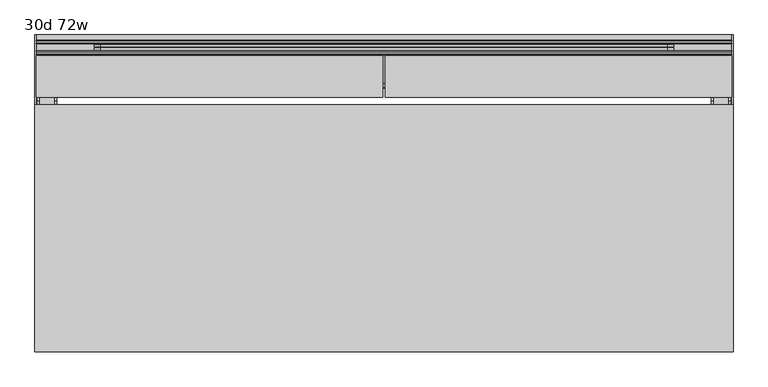
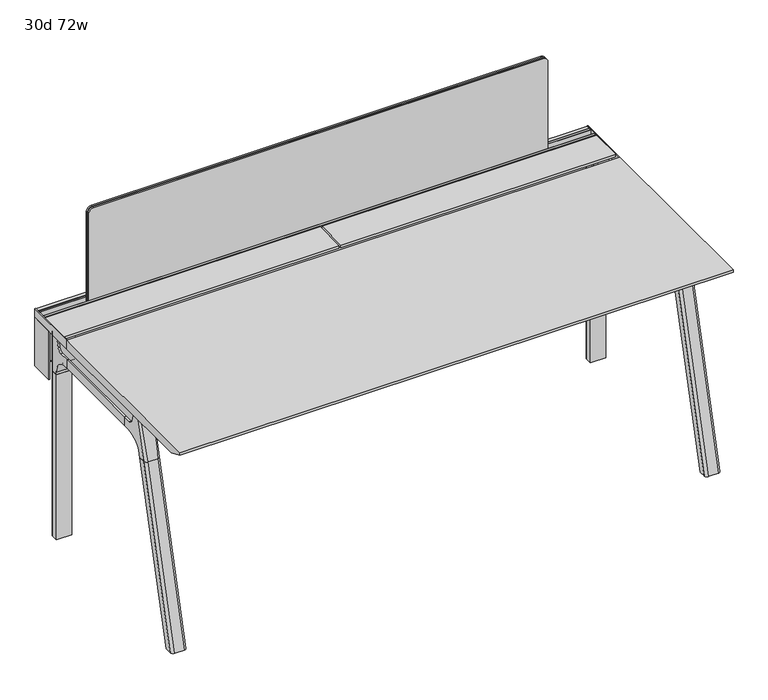
"""IFC4 building model written with IfcOpenShell, lengths in millimetres: furniture geometry, 30d 72w."""

from ifc_helpers import new_model, si_unit, point, frame, frame_2d, origin, place, context, project, spatial, polyline, circle_curve, ellipse_curve, trimmed, segment, composite_curve, outline, extrude, source, transform, mapped, element, save
from ifc_brep_helpers import plane_surface, cylinder_surface, revolved_surface, advanced_brep


def furniture_30d_72w_7f521068(model_context):
    return source(origin(), model_context, "Body", "SolidModel", [
        extrude(outline(composite_curve([segment(polyline([(-171.6458172, 542.478661), (-293.447806, 542.478661)]), True, "CONTINUOUS"), segment(trimmed(circle_curve(frame_2d((-293.447806, 555.972411)), 13.49375), [point((-293.447806, 542.478661))], [point((-306.941556, 555.972411))], False, "CARTESIAN"), True, "CONTINUOUS"), segment(polyline([(-306.941556, 555.972411), (-306.941556, 579.126206), (-306.147806, 579.126206), (-306.147806, 555.972411)]), True, "CONTINUOUS"), segment(trimmed(circle_curve(frame_2d((-293.447806, 555.972411)), 12.7), [point((-306.147806, 555.972411))], [point((-293.447806, 543.272411))], True, "CARTESIAN"), True, "CONTINUOUS"), segment(polyline([(-293.447806, 543.272411), (-171.6458172, 543.272411), (-171.6458172, 542.478661)]), True, "CONTINUOUS")], self_intersect=False)), frame((-542.925, 0.0, 0.0), z_axis=(1.0, 0.0, 0.0), x_axis=(0.0, 1.0, 0.0)), (0.0, 0.0, 1.0), 1517.65),
        extrude(outline(polyline([(-167.2415802, 542.478661), (-171.6458172, 542.478661), (-171.6458172, 543.272411), (-168.0353302, 543.272411), (-168.0353302, 738.7080593), (-179.9097266, 738.7080593), (-179.9097266, 729.9768093), (-180.7034766, 729.9768093), (-180.7034766, 739.5018093), (-167.2415802, 739.5018093), (-167.2415802, 542.478661)])), frame((-695.325, 0.0, 0.0), z_axis=(1.0, 0.0, 0.0), x_axis=(0.0, 1.0, 0.0)), (0.0, 0.0, 1.0), 1822.45),
        extrude(outline(composite_curve([segment(polyline([(1054.89375, 955.675), (1054.89375, -523.875)]), True, "CONTINUOUS"), segment(trimmed(circle_curve(frame_2d((1039.01875, -523.875)), 15.875), [point((1054.89375, -523.875))], [point((1039.01875, -539.75))], False, "CARTESIAN"), True, "CONTINUOUS"), segment(polyline([(1039.01875, -539.75), (720.725, -539.75), (720.725, 971.55), (1039.01875, 971.55)]), True, "CONTINUOUS"), segment(trimmed(circle_curve(frame_2d((1039.01875, 955.675)), 15.875), [point((1039.01875, 971.55))], [point((1054.89375, 955.675))], False, "CARTESIAN"), True, "CONTINUOUS")], self_intersect=False)), frame((0.0, -201.3409766, 0.0), z_axis=(0.0, 1.0, 0.0), x_axis=(0.0, 0.0, 1.0)), (0.0, 0.0, 1.0), 3.175),
        extrude(outline(composite_curve([segment(polyline([(1058.06875, 958.85), (1058.06875, -527.05)]), True, "CONTINUOUS"), segment(trimmed(circle_curve(frame_2d((1042.19375, -527.05)), 15.875), [point((1058.06875, -527.05))], [point((1042.19375, -542.925))], False, "CARTESIAN"), True, "CONTINUOUS"), segment(polyline([(1042.19375, -542.925), (717.55, -542.925), (717.55, 974.725), (1042.19375, 974.725)]), True, "CONTINUOUS"), segment(trimmed(circle_curve(frame_2d((1042.19375, 958.85)), 15.875), [point((1042.19375, 974.725))], [point((1058.06875, 958.85))], False, "CARTESIAN"), True, "CONTINUOUS")], self_intersect=False)), frame((0.0, -198.1659766, 0.0), z_axis=(0.0, 1.0, 0.0), x_axis=(0.0, 0.0, 1.0)), (0.0, 0.0, 1.0), 5.55625),
        extrude(outline(composite_curve([segment(polyline([(1058.06875, 958.85), (1058.06875, -527.05)]), True, "CONTINUOUS"), segment(trimmed(circle_curve(frame_2d((1042.19375, -527.05)), 15.875), [point((1058.06875, -527.05))], [point((1042.19375, -542.925))], False, "CARTESIAN"), True, "CONTINUOUS"), segment(polyline([(1042.19375, -542.925), (717.55, -542.925), (717.55, 974.725), (1042.19375, 974.725)]), True, "CONTINUOUS"), segment(trimmed(circle_curve(frame_2d((1042.19375, 958.85)), 15.875), [point((1042.19375, 974.725))], [point((1058.06875, 958.85))], False, "CARTESIAN"), True, "CONTINUOUS")], self_intersect=False)), frame((0.0, -206.8972266, 0.0), z_axis=(0.0, 1.0, 0.0), x_axis=(0.0, 0.0, 1.0)), (0.0, 0.0, 1.0), 5.55625),
        extrude(outline(polyline([(-218.8034766, 715.9625), (-218.8034766, 741.3625), (-217.2159766, 741.3625), (-217.2159766, 720.725), (-210.8659766, 720.725), (-210.8659766, 741.3625), (-209.2784766, 741.3625), (-209.2784766, 717.55), (-190.2284766, 717.55), (-190.2284766, 741.3625), (-188.6409766, 741.3625), (-188.6409766, 720.725), (-182.2909766, 720.725), (-182.2909766, 741.3625), (-180.7034766, 741.3625), (-180.7034766, 715.9625), (-218.8034766, 715.9625)])), frame((-695.325, 0.0, 0.0), z_axis=(1.0, 0.0, 0.0), x_axis=(0.0, 1.0, 0.0)), (0.0, 0.0, 1.0), 1822.45),
        extrude(outline(composite_curve([segment(polyline([(-280.7159766, 711.2), (-289.7740774, 677.3947076)]), True, "CONTINUOUS"), segment(trimmed(circle_curve(frame_2d((-305.1081499, 681.5034599)), 15.875), [point((-289.7740774, 677.3947076))], [point((-305.1081499, 665.6284599))], False, "CARTESIAN"), True, "CONTINUOUS"), segment(polyline([(-305.1081499, 665.6284599), (-703.2050533, 665.6284599)]), True, "CONTINUOUS"), segment(trimmed(circle_curve(frame_2d((-703.2050533, 681.5034599)), 15.875), [point((-703.2050533, 665.6284599))], [point((-718.5391258, 677.3947076))], False, "CARTESIAN"), True, "CONTINUOUS"), segment(polyline([(-718.5391258, 677.3947076), (-727.5972266, 711.2), (-280.7159766, 711.2)]), True, "CONTINUOUS")], self_intersect=False)), frame((1079.5, 0.0, 0.0), z_axis=(1.0, 0.0, 0.0), x_axis=(0.0, 1.0, 0.0)), (0.0, 0.0, 1.0), 38.1),
        extrude(outline(polyline([(1123.95, -341.0409766), (1123.95, -667.2722266), (1073.15, -667.2722266), (1073.15, -341.0409766), (1123.95, -341.0409766)])), frame((0.0, 0.0, 635.6476591), z_axis=(0.0, 0.0, 1.0), x_axis=(1.0, 0.0, 0.0)), (0.0, 0.0, 1.0), 29.9808008),
        extrude(outline(composite_curve([segment(polyline([(-280.7159766, 711.2), (-289.7740774, 677.3947076)]), True, "CONTINUOUS"), segment(trimmed(circle_curve(frame_2d((-305.1081499, 681.5034599)), 15.875), [point((-289.7740774, 677.3947076))], [point((-305.1081499, 665.6284599))], False, "CARTESIAN"), True, "CONTINUOUS"), segment(polyline([(-305.1081499, 665.6284599), (-703.2050533, 665.6284599)]), True, "CONTINUOUS"), segment(trimmed(circle_curve(frame_2d((-703.2050533, 681.5034599)), 15.875), [point((-703.2050533, 665.6284599))], [point((-718.5391258, 677.3947076))], False, "CARTESIAN"), True, "CONTINUOUS"), segment(polyline([(-718.5391258, 677.3947076), (-727.5972266, 711.2), (-280.7159766, 711.2)]), True, "CONTINUOUS")], self_intersect=False)), frame((-685.8, 0.0, 0.0), z_axis=(1.0, 0.0, 0.0), x_axis=(0.0, 1.0, 0.0)), (0.0, 0.0, 1.0), 38.1),
        extrude(outline(polyline([(-641.35, -341.0409766), (-641.35, -667.2722266), (-692.15, -667.2722266), (-692.15, -341.0409766), (-641.35, -341.0409766)])), frame((0.0, 0.0, 635.6476591), z_axis=(0.0, 0.0, 1.0), x_axis=(1.0, 0.0, 0.0)), (0.0, 0.0, 1.0), 29.9808008),
        advanced_brep(
        [(1123.95, -280.6696478, 711.2), (1123.95, -289.7277486, 677.3947076), (1123.95, -305.0618211, 665.6284599), (1123.95, -341.0409766, 665.6284599), (1123.95, -341.0409766, 635.6476591), (1123.95, -329.9284766, 635.6476591), (1123.95, -279.1284766, 584.8476591), (1123.95, -279.1284766, 576.659375), (1123.95, -256.9034766, 576.659375), (1123.95, -256.9034766, 711.2), (1073.15, -279.1284766, 576.659375), (1073.15, -279.1284766, 584.8476591), (1073.15, -329.9284766, 635.6476591), (1073.15, -341.0409766, 635.6476591), (1073.15, -341.0409766, 665.6284599), (1073.15, -305.0618211, 665.6284599), (1073.15, -289.7277486, 677.3947076), (1073.15, -280.6696478, 711.2), (1073.15, -256.9034766, 711.2), (1073.15, -256.9034766, 576.659375), (1114.425, -247.3784766, 711.2), (1082.675, -247.3784766, 711.2), (1082.675, -247.3784766, 576.659375), (1114.425, -247.3784766, 576.659375)],
        [
            (0, 1),
            (1, 2, circle_curve(frame((1123.95, -305.0618211, 681.5034599), z_axis=(-1.0, 0.0, 0.0), x_axis=(0.0, 1.0, 0.0)), 15.875)),
            (2, 3),
            (3, 4),
            (4, 5),
            (5, 6, circle_curve(frame((1123.95, -329.9284766, 584.8476591), z_axis=(-1.0, 0.0, 0.0), x_axis=(0.0, 1.0, 0.0)), 50.8)),
            (6, 7),
            (7, 8),
            (8, 9),
            (9, 0),
            (10, 11),
            (11, 12, circle_curve(frame((1073.15, -329.9284766, 584.8476591), z_axis=(1.0, 0.0, 0.0), x_axis=(0.0, 1.0, 0.0)), 50.8)),
            (12, 13),
            (13, 14),
            (14, 15),
            (15, 16, circle_curve(frame((1073.15, -305.0618211, 681.5034599), z_axis=(1.0, 0.0, 0.0), x_axis=(0.0, 1.0, 0.0)), 15.875)),
            (16, 17),
            (17, 18),
            (18, 19),
            (19, 10),
            (17, 0),
            (9, 20, circle_curve(frame((1114.425, -256.9034766, 711.2), z_axis=(0.0, 0.0, 1.0), x_axis=(-1.0, 0.0, 0.0)), 9.525)),
            (20, 21),
            (21, 18, circle_curve(frame((1082.675, -256.9034766, 711.2), z_axis=(0.0, 0.0, 1.0), x_axis=(-1.0, 0.0, 0.0)), 9.525)),
            (16, 1),
            (15, 2),
            (14, 3),
            (13, 4),
            (12, 5),
            (7, 10),
            (19, 22, circle_curve(frame((1082.675, -256.9034766, 576.659375), z_axis=(0.0, 0.0, -1.0), x_axis=(-1.0, 0.0, 0.0)), 9.525)),
            (22, 23),
            (23, 8, circle_curve(frame((1114.425, -256.9034766, 576.659375), z_axis=(0.0, 0.0, -1.0), x_axis=(-1.0, 0.0, 0.0)), 9.525)),
            (11, 6),
            (23, 20),
            (21, 22),
        ],
        [
            plane_surface(frame((1123.95, -240.451947, 711.2), z_axis=(1.0, 0.0, 0.0), x_axis=(0.0, -1.0, 0.0))),
            plane_surface(frame((1073.15, -240.451947, 711.2), z_axis=(-1.0, 0.0, 0.0), x_axis=(0.0, 1.0, 0.0))),
            plane_surface(frame((1123.95, -240.451947, 711.2), z_axis=(0.0, 0.0, 1.0), x_axis=(-1.0, 0.0, 0.0))),
            plane_surface(frame((1123.95, -280.6696478, 711.2), z_axis=(0.0, -0.9659258262890683, 0.2588190451025207), x_axis=(-1.0, 0.0, 0.0))),
            revolved_surface(polyline([(1073.15, -289.1868211, 681.5034599), (1123.95, -289.1868211, 681.5034599)]), (1073.15, -305.0618211, 681.5034599), (-1.0, 0.0, 0.0)),
            plane_surface(frame((1123.95, -305.0618211, 665.6284599), z_axis=(0.0, 0.0, 1.0), x_axis=(-1.0, 0.0, 0.0))),
            plane_surface(frame((1123.95, -341.0409766, 665.6284599), z_axis=(0.0, -1.0, 0.0), x_axis=(-1.0, 0.0, 0.0))),
            plane_surface(frame((1123.95, -341.0409766, 635.6476591), z_axis=(0.0, 0.0, -1.0), x_axis=(-1.0, 0.0, 0.0))),
            plane_surface(frame((1123.95, -279.1284766, 576.659375), z_axis=(0.0, 0.0, -1.0), x_axis=(-1.0, 0.0, 0.0))),
            revolved_surface(polyline([(1073.15, -279.1284766, 584.8476591), (1123.95, -279.1284766, 584.8476591)]), (1073.15, -329.9284766, 584.8476591), (-1.0, 0.0, 0.0)),
            plane_surface(frame((1123.95, -279.1284766, 584.8476591), z_axis=(0.0, -1.0, 0.0), x_axis=(-1.0, 0.0, 0.0))),
            cylinder_surface(frame((1114.425, -256.9034766, 524.9807374), z_axis=(0.0, 0.0, -1.0), x_axis=(-1.0, 0.0, 0.0)), 9.525),
            cylinder_surface(frame((1082.675, -256.9034766, 524.9807374), z_axis=(0.0, 0.0, -1.0), x_axis=(-1.0, 0.0, 0.0)), 9.525),
            plane_surface(frame((1082.675, -247.3784766, 711.2), z_axis=(0.0, 1.0, 0.0), x_axis=(0.0, 0.0, -1.0))),
        ],
        [
            (0, [[1, 2, 3, 4, 5, 6, 7, 8, 9, 10]]),
            (1, [[11, 12, 13, 14, 15, 16, 17, 18, 19, 20]]),
            (2, [[21, -10, 22, 23, 24, -18]]),
            (3, [[-1, -21, -17, 25]]),
            (4, [[-2, -25, -16, 26]]),
            (5, [[-3, -26, -15, 27]]),
            (6, [[-4, -27, -14, 28]]),
            (7, [[-5, -28, -13, 29]]),
            (8, [[30, -20, 31, 32, 33, -8]]),
            (9, [[-6, -29, -12, 34]]),
            (10, [[-7, -34, -11, -30]]),
            (11, [[35, -22, -9, -33]]),
            (12, [[36, -31, -19, -24]]),
            (13, [[-35, -32, -36, -23]]),
        ],
    ),
        advanced_brep(
        [(1073.15, -279.1284766, 576.659375), (1123.95, -279.1284766, 576.659375), (1123.95, -256.9034766, 576.659375), (1114.425, -247.3784766, 576.659375), (1082.675, -247.3784766, 576.659375), (1073.15, -256.9034766, 576.659375), (1073.15, -279.1284766, 0.0), (1073.15, -256.9034766, 0.0), (1082.675, -247.3784766, 0.0), (1114.425, -247.3784766, 0.0), (1123.95, -256.9034766, 0.0), (1123.95, -279.1284766, 0.0), (1123.95, -256.9034766, 524.9807374), (1114.425, -247.3784766, 524.9807374), (1082.675, -247.3784766, 524.9807374), (1073.15, -256.9034766, 524.9807374)],
        [
            (0, 1),
            (1, 2),
            (2, 3, circle_curve(frame((1114.425, -256.9034766, 576.659375), z_axis=(0.0, 0.0, 1.0), x_axis=(-1.0, 0.0, 0.0)), 9.525)),
            (3, 4),
            (4, 5, circle_curve(frame((1082.675, -256.9034766, 576.659375), z_axis=(0.0, 0.0, 1.0), x_axis=(-1.0, 0.0, 0.0)), 9.525)),
            (5, 0),
            (6, 7),
            (7, 8, circle_curve(frame((1082.675, -256.9034766, 0.0), z_axis=(0.0, 0.0, -1.0), x_axis=(-1.0, 0.0, 0.0)), 9.525)),
            (8, 9),
            (9, 10, circle_curve(frame((1114.425, -256.9034766, 0.0), z_axis=(0.0, 0.0, -1.0), x_axis=(-1.0, 0.0, 0.0)), 9.525)),
            (10, 11),
            (11, 6),
            (0, 6),
            (11, 1),
            (10, 12),
            (12, 2),
            (9, 13),
            (13, 3),
            (8, 14),
            (14, 4),
            (7, 15),
            (15, 5),
        ],
        [
            plane_surface(frame((1131.1462903, -279.1284766, 576.659375), z_axis=(0.0, 0.0, 1.0), x_axis=(1.0, 0.0, 0.0))),
            plane_surface(frame((1131.1462903, -279.1284766, 0.0), z_axis=(0.0, 0.0, -1.0), x_axis=(-1.0, 0.0, 0.0))),
            plane_surface(frame((1073.15, -279.1284766, 576.659375), z_axis=(0.0, -1.0, 0.0), x_axis=(0.0, 0.0, -1.0))),
            plane_surface(frame((1123.95, -279.1284766, 576.659375), z_axis=(1.0, 0.0, 0.0), x_axis=(0.0, 0.0, -1.0))),
            cylinder_surface(frame((1114.425, -256.9034766, 0.0), z_axis=(0.0, 0.0, 1.0), x_axis=(-1.0, 0.0, 0.0)), 9.525),
            plane_surface(frame((1114.425, -247.3784766, 576.659375), z_axis=(0.0, 1.0, 0.0), x_axis=(0.0, 0.0, -1.0))),
            cylinder_surface(frame((1082.675, -256.9034766, 0.0), z_axis=(0.0, 0.0, 1.0), x_axis=(-1.0, 0.0, 0.0)), 9.525),
            plane_surface(frame((1073.15, -256.9034766, 576.659375), z_axis=(-1.0, 0.0, 0.0), x_axis=(0.0, 0.0, -1.0))),
        ],
        [
            (0, [[1, 2, 3, 4, 5, 6]]),
            (1, [[7, 8, 9, 10, 11, 12]]),
            (2, [[-1, 13, -12, 14]]),
            (3, [[-2, -14, -11, 15, 16]]),
            (4, [[-3, -16, -15, -10, 17, 18]]),
            (5, [[-4, -18, -17, -9, 19, 20]]),
            (6, [[-5, -20, -19, -8, 21, 22]]),
            (7, [[-6, -22, -21, -7, -13]]),
        ],
    ),
        advanced_brep(
        [(-641.35, -280.6696478, 711.2), (-641.35, -289.7277486, 677.3947076), (-641.35, -305.0618211, 665.6284599), (-641.35, -341.0409766, 665.6284599), (-641.35, -341.0409766, 635.6476591), (-641.35, -329.9284766, 635.6476591), (-641.35, -279.1284766, 584.8476591), (-641.35, -279.1284766, 576.659375), (-641.35, -256.9034766, 576.659375), (-641.35, -256.9034766, 711.2), (-692.15, -279.1284766, 576.659375), (-692.15, -279.1284766, 584.8476591), (-692.15, -329.9284766, 635.6476591), (-692.15, -341.0409766, 635.6476591), (-692.15, -341.0409766, 665.6284599), (-692.15, -305.0618211, 665.6284599), (-692.15, -289.7277486, 677.3947076), (-692.15, -280.6696478, 711.2), (-692.15, -256.9034766, 711.2), (-692.15, -256.9034766, 576.659375), (-650.875, -247.3784766, 711.2), (-682.625, -247.3784766, 711.2), (-682.625, -247.3784766, 576.659375), (-650.875, -247.3784766, 576.659375)],
        [
            (0, 1),
            (1, 2, circle_curve(frame((-641.35, -305.0618211, 681.5034599), z_axis=(-1.0, 0.0, 0.0), x_axis=(0.0, 1.0, 0.0)), 15.875)),
            (2, 3),
            (3, 4),
            (4, 5),
            (5, 6, circle_curve(frame((-641.35, -329.9284766, 584.8476591), z_axis=(-1.0, 0.0, 0.0), x_axis=(0.0, 1.0, 0.0)), 50.8)),
            (6, 7),
            (7, 8),
            (8, 9),
            (9, 0),
            (10, 11),
            (11, 12, circle_curve(frame((-692.15, -329.9284766, 584.8476591), z_axis=(1.0, 0.0, 0.0), x_axis=(0.0, 1.0, 0.0)), 50.8)),
            (12, 13),
            (13, 14),
            (14, 15),
            (15, 16, circle_curve(frame((-692.15, -305.0618211, 681.5034599), z_axis=(1.0, 0.0, 0.0), x_axis=(0.0, 1.0, 0.0)), 15.875)),
            (16, 17),
            (17, 18),
            (18, 19),
            (19, 10),
            (17, 0),
            (9, 20, circle_curve(frame((-650.875, -256.9034766, 711.2), z_axis=(0.0, 0.0, 1.0), x_axis=(-1.0, 0.0, 0.0)), 9.525)),
            (20, 21),
            (21, 18, circle_curve(frame((-682.625, -256.9034766, 711.2), z_axis=(0.0, 0.0, 1.0), x_axis=(-1.0, 0.0, 0.0)), 9.525)),
            (16, 1),
            (15, 2),
            (14, 3),
            (13, 4),
            (12, 5),
            (7, 10),
            (19, 22, circle_curve(frame((-682.625, -256.9034766, 576.659375), z_axis=(0.0, 0.0, -1.0), x_axis=(-1.0, 0.0, 0.0)), 9.525)),
            (22, 23),
            (23, 8, circle_curve(frame((-650.875, -256.9034766, 576.659375), z_axis=(0.0, 0.0, -1.0), x_axis=(-1.0, 0.0, 0.0)), 9.525)),
            (11, 6),
            (23, 20),
            (21, 22),
        ],
        [
            plane_surface(frame((-641.35, -240.451947, 711.2), z_axis=(1.0, 0.0, 0.0), x_axis=(0.0, -1.0, 0.0))),
            plane_surface(frame((-692.15, -240.451947, 711.2), z_axis=(-1.0, 0.0, 0.0), x_axis=(0.0, 1.0, 0.0))),
            plane_surface(frame((-641.35, -240.451947, 711.2), z_axis=(0.0, 0.0, 1.0), x_axis=(-1.0, 0.0, 0.0))),
            plane_surface(frame((-641.35, -280.6696478, 711.2), z_axis=(0.0, -0.9659258262890683, 0.2588190451025207), x_axis=(-1.0, 0.0, 0.0))),
            revolved_surface(polyline([(-692.15, -289.1868211, 681.5034599), (-641.35, -289.1868211, 681.5034599)]), (-692.15, -305.0618211, 681.5034599), (-1.0, 0.0, 0.0)),
            plane_surface(frame((-641.35, -305.0618211, 665.6284599), z_axis=(0.0, 0.0, 1.0), x_axis=(-1.0, 0.0, 0.0))),
            plane_surface(frame((-641.35, -341.0409766, 665.6284599), z_axis=(0.0, -1.0, 0.0), x_axis=(-1.0, 0.0, 0.0))),
            plane_surface(frame((-641.35, -341.0409766, 635.6476591), z_axis=(0.0, 0.0, -1.0), x_axis=(-1.0, 0.0, 0.0))),
            plane_surface(frame((-641.35, -279.1284766, 576.659375), z_axis=(0.0, 0.0, -1.0), x_axis=(-1.0, 0.0, 0.0))),
            revolved_surface(polyline([(-692.15, -279.1284766, 584.8476591), (-641.35, -279.1284766, 584.8476591)]), (-692.15, -329.9284766, 584.8476591), (-1.0, 0.0, 0.0)),
            plane_surface(frame((-641.35, -279.1284766, 584.8476591), z_axis=(0.0, -1.0, 0.0), x_axis=(-1.0, 0.0, 0.0))),
            cylinder_surface(frame((-650.875, -256.9034766, 524.9807374), z_axis=(0.0, 0.0, -1.0), x_axis=(-1.0, 0.0, 0.0)), 9.525),
            cylinder_surface(frame((-682.625, -256.9034766, 524.9807374), z_axis=(0.0, 0.0, -1.0), x_axis=(-1.0, 0.0, 0.0)), 9.525),
            plane_surface(frame((-682.625, -247.3784766, 711.2), z_axis=(0.0, 1.0, 0.0), x_axis=(0.0, 0.0, -1.0))),
        ],
        [
            (0, [[1, 2, 3, 4, 5, 6, 7, 8, 9, 10]]),
            (1, [[11, 12, 13, 14, 15, 16, 17, 18, 19, 20]]),
            (2, [[21, -10, 22, 23, 24, -18]]),
            (3, [[-1, -21, -17, 25]]),
            (4, [[-2, -25, -16, 26]]),
            (5, [[-3, -26, -15, 27]]),
            (6, [[-4, -27, -14, 28]]),
            (7, [[-5, -28, -13, 29]]),
            (8, [[30, -20, 31, 32, 33, -8]]),
            (9, [[-6, -29, -12, 34]]),
            (10, [[-7, -34, -11, -30]]),
            (11, [[35, -22, -9, -33]]),
            (12, [[36, -31, -19, -24]]),
            (13, [[-35, -32, -36, -23]]),
        ],
    ),
        advanced_brep(
        [(-692.15, -279.1284766, 576.659375), (-641.35, -279.1284766, 576.659375), (-641.35, -256.9034766, 576.659375), (-650.875, -247.3784766, 576.659375), (-682.625, -247.3784766, 576.659375), (-692.15, -256.9034766, 576.659375), (-692.15, -279.1284766, 0.0), (-692.15, -256.9034766, 0.0), (-682.625, -247.3784766, 0.0), (-650.875, -247.3784766, 0.0), (-641.35, -256.9034766, 0.0), (-641.35, -279.1284766, 0.0), (-641.35, -256.9034766, 524.9807374), (-650.875, -247.3784766, 524.9807374), (-682.625, -247.3784766, 524.9807374), (-692.15, -256.9034766, 524.9807374)],
        [
            (0, 1),
            (1, 2),
            (2, 3, circle_curve(frame((-650.875, -256.9034766, 576.659375), z_axis=(0.0, 0.0, 1.0), x_axis=(-1.0, 0.0, 0.0)), 9.525)),
            (3, 4),
            (4, 5, circle_curve(frame((-682.625, -256.9034766, 576.659375), z_axis=(0.0, 0.0, 1.0), x_axis=(-1.0, 0.0, 0.0)), 9.525)),
            (5, 0),
            (6, 7),
            (7, 8, circle_curve(frame((-682.625, -256.9034766, 0.0), z_axis=(0.0, 0.0, -1.0), x_axis=(-1.0, 0.0, 0.0)), 9.525)),
            (8, 9),
            (9, 10, circle_curve(frame((-650.875, -256.9034766, 0.0), z_axis=(0.0, 0.0, -1.0), x_axis=(-1.0, 0.0, 0.0)), 9.525)),
            (10, 11),
            (11, 6),
            (0, 6),
            (11, 1),
            (10, 12),
            (12, 2),
            (9, 13),
            (13, 3),
            (8, 14),
            (14, 4),
            (7, 15),
            (15, 5),
        ],
        [
            plane_surface(frame((-634.1537097, -279.1284766, 576.659375), z_axis=(0.0, 0.0, 1.0), x_axis=(1.0, 0.0, 0.0))),
            plane_surface(frame((-634.1537097, -279.1284766, 0.0), z_axis=(0.0, 0.0, -1.0), x_axis=(-1.0, 0.0, 0.0))),
            plane_surface(frame((-692.15, -279.1284766, 576.659375), z_axis=(0.0, -1.0, 0.0), x_axis=(0.0, 0.0, -1.0))),
            plane_surface(frame((-641.35, -279.1284766, 576.659375), z_axis=(1.0, 0.0, 0.0), x_axis=(0.0, 0.0, -1.0))),
            cylinder_surface(frame((-650.875, -256.9034766, 0.0), z_axis=(0.0, 0.0, 1.0), x_axis=(-1.0, 0.0, 0.0)), 9.525),
            plane_surface(frame((-650.875, -247.3784766, 576.659375), z_axis=(0.0, 1.0, 0.0), x_axis=(0.0, 0.0, -1.0))),
            cylinder_surface(frame((-682.625, -256.9034766, 0.0), z_axis=(0.0, 0.0, 1.0), x_axis=(-1.0, 0.0, 0.0)), 9.525),
            plane_surface(frame((-692.15, -256.9034766, 576.659375), z_axis=(-1.0, 0.0, 0.0), x_axis=(0.0, 0.0, -1.0))),
        ],
        [
            (0, [[1, 2, 3, 4, 5, 6]]),
            (1, [[7, 8, 9, 10, 11, 12]]),
            (2, [[-1, 13, -12, 14]]),
            (3, [[-2, -14, -11, 15, 16]]),
            (4, [[-3, -16, -15, -10, 17, 18]]),
            (5, [[-4, -18, -17, -9, 19, 20]]),
            (6, [[-5, -20, -19, -8, 21, 22]]),
            (7, [[-6, -22, -21, -7, -13]]),
        ],
    ),
        advanced_brep(
        [(1073.15, -721.2935553, 711.2), (1073.15, -712.2354545, 677.3947076), (1073.15, -696.901382, 665.6284599), (1073.15, -667.2722266, 665.6284599), (1073.15, -667.2722266, 635.6476591), (1073.15, -690.1434588, 635.6476591), (1073.15, -754.5465633, 586.2294189), (1073.15, -757.1047754, 576.6820411), (1073.15, -778.2087453, 576.6820411), (1073.15, -742.7601017, 711.2), (1123.95, -757.1047754, 576.6820411), (1123.95, -754.5465633, 586.2294189), (1123.95, -690.1434588, 635.6476591), (1123.95, -667.2722266, 635.6476591), (1123.95, -667.2722266, 665.6284599), (1123.95, -696.901382, 665.6284599), (1123.95, -712.2354545, 677.3947076), (1123.95, -721.2935553, 711.2), (1123.95, -742.7601017, 711.2), (1123.95, -778.2087453, 576.6820411), (1079.4138162, -752.0149462, 711.2), (1117.6861838, -752.0149462, 711.2), (1114.425, -788.0589247, 576.6820411), (1082.675, -788.0589247, 576.6820411)],
        [
            (0, 1),
            (1, 2, circle_curve(frame((1073.15, -696.901382, 681.5034599), z_axis=(1.0, 0.0, 0.0), x_axis=(0.0, -1.0, 0.0)), 15.875)),
            (2, 3),
            (3, 4),
            (4, 5),
            (5, 6, circle_curve(frame((1073.15, -690.1434588, 568.9726591), z_axis=(1.0, 0.0, 0.0), x_axis=(0.0, -1.0, 0.0)), 66.675)),
            (6, 7),
            (7, 8),
            (8, 9),
            (9, 0),
            (10, 11),
            (11, 12, circle_curve(frame((1123.95, -690.1434588, 568.9726591), z_axis=(-1.0, 0.0, 0.0), x_axis=(0.0, -1.0, 0.0)), 66.675)),
            (12, 13),
            (13, 14),
            (14, 15),
            (15, 16, circle_curve(frame((1123.95, -696.901382, 681.5034599), z_axis=(-1.0, 0.0, 0.0), x_axis=(0.0, -1.0, 0.0)), 15.875)),
            (16, 17),
            (17, 18),
            (18, 19),
            (19, 10),
            (17, 0),
            (9, 20, ellipse_curve(frame((1082.675, -742.7601017, 711.2), z_axis=(0.0, 0.0, 1.0), x_axis=(0.0, -1.0, 0.0)), 9.8501793, 9.525)),
            (20, 21),
            (21, 18, ellipse_curve(frame((1114.425, -742.7601017, 711.2), z_axis=(0.0, 0.0, 1.0), x_axis=(0.0, -1.0, 0.0)), 9.8501793, 9.525)),
            (16, 1),
            (15, 2),
            (14, 3),
            (13, 4),
            (12, 5),
            (11, 6),
            (10, 7),
            (19, 22, ellipse_curve(frame((1114.425, -778.2087453, 576.6820411), z_axis=(0.0, 0.0, -1.0), x_axis=(0.0, -1.0, 0.0)), 9.8501793, 9.525)),
            (22, 23),
            (23, 8, ellipse_curve(frame((1082.675, -778.2087453, 576.6820411), z_axis=(0.0, 0.0, -1.0), x_axis=(0.0, -1.0, 0.0)), 9.8501793, 9.525)),
            (20, 23, ellipse_curve(frame((1082.675, -191.6892106, 2802.3641142), z_axis=(0.0, -0.9659258262890684, 0.2588190451025206), x_axis=(0.0, -0.2588190451025206, -0.9659258262890684)), 2304.1956354, 9.525)),
            (22, 21, ellipse_curve(frame((1114.425, -191.6892106, 2802.3641142), z_axis=(0.0, -0.9659258262890684, 0.2588190451025206), x_axis=(0.0, -0.2588190451025206, -0.9659258262890684)), 2304.1956354, 9.525)),
        ],
        [
            plane_surface(frame((1073.15, -752.0149462, 711.2), z_axis=(-1.0, 0.0, 0.0), x_axis=(0.0, 1.0, 0.0))),
            plane_surface(frame((1123.95, -752.0149462, 711.2), z_axis=(1.0, 0.0, 0.0), x_axis=(0.0, -1.0, 0.0))),
            plane_surface(frame((1073.15, -752.0149462, 711.2), z_axis=(0.0, 0.0, 1.0), x_axis=(1.0, 0.0, 0.0))),
            plane_surface(frame((1073.15, -721.2935553, 711.2), z_axis=(0.0, 0.9659258262890683, 0.2588190451025207), x_axis=(1.0, 0.0, 0.0))),
            revolved_surface(polyline([(1123.95, -712.776382, 681.5034599), (1073.15, -712.776382, 681.5034599)]), (1123.95, -696.901382, 681.5034599), (1.0, 0.0, 0.0)),
            plane_surface(frame((1073.15, -696.901382, 665.6284599), z_axis=(0.0, 0.0, 1.0), x_axis=(1.0, 0.0, 0.0))),
            plane_surface(frame((1073.15, -667.2722266, 665.6284599), z_axis=(0.0, 1.0, 0.0), x_axis=(1.0, 0.0, 0.0))),
            plane_surface(frame((1073.15, -667.2722266, 635.6476591), z_axis=(0.0, 0.0, -1.0), x_axis=(1.0, 0.0, 0.0))),
            revolved_surface(polyline([(1123.95, -756.8184587999999, 568.9726591), (1073.15, -756.8184587999999, 568.9726591)]), (1123.95, -690.1434588, 568.9726591), (1.0, 0.0, 0.0)),
            plane_surface(frame((1073.15, -754.5465633, 586.2294189), z_axis=(0.0, 0.9659258262890693, -0.25881904510251696), x_axis=(1.0, 0.0, 0.0))),
            plane_surface(frame((1073.15, -757.1047754, 576.6820411), z_axis=(0.0, 0.0, -1.0), x_axis=(1.0, 0.0, 0.0))),
            plane_surface(frame((1073.15, -788.0589247, 576.6820411), z_axis=(0.0, -0.9659258262890684, 0.2588190451025206), x_axis=(1.0, 0.0, 0.0))),
            cylinder_surface(frame((1082.675, -930.8176402, -2.4271979), z_axis=(0.0, -0.25482392474081483, -0.966987470125486), x_axis=(1.0, 0.0, 0.0)), 9.525),
            cylinder_surface(frame((1114.425, -930.8176402, -2.4271979), z_axis=(0.0, -0.25482392474081483, -0.966987470125486), x_axis=(1.0, 0.0, 0.0)), 9.525),
        ],
        [
            (0, [[1, 2, 3, 4, 5, 6, 7, 8, 9, 10]]),
            (1, [[11, 12, 13, 14, 15, 16, 17, 18, 19, 20]]),
            (2, [[21, -10, 22, 23, 24, -18]]),
            (3, [[-1, -21, -17, 25]]),
            (4, [[-2, -25, -16, 26]]),
            (5, [[-3, -26, -15, 27]]),
            (6, [[-4, -27, -14, 28]]),
            (7, [[-5, -28, -13, 29]]),
            (8, [[-6, -29, -12, 30]]),
            (9, [[-7, -30, -11, 31]]),
            (10, [[-31, -20, 32, 33, 34, -8]]),
            (11, [[-23, 35, -33, 36]]),
            (12, [[-9, -34, -35, -22]]),
            (13, [[-19, -24, -36, -32]]),
        ],
    ),
        advanced_brep(
        [(1073.15, -757.1047754, 576.6820411), (1073.15, -909.0740466, 0.0), (1073.15, -930.1780165, 0.0), (1073.15, -778.2087453, 576.6820411), (1123.95, -909.0740466, 0.0), (1123.95, -757.1047754, 576.6820411), (1123.95, -778.2087453, 576.6820411), (1123.95, -930.1780165, 0.0), (1082.675, -788.0589247, 576.6820411), (1114.425, -788.0589247, 576.6820411), (1114.425, -940.0281958, 0.0), (1082.675, -940.0281958, 0.0)],
        [
            (0, 1),
            (1, 2),
            (2, 3),
            (3, 0),
            (4, 5),
            (5, 6),
            (6, 7),
            (7, 4),
            (5, 0),
            (3, 8, ellipse_curve(frame((1082.675, -778.2087453, 576.6820411), z_axis=(0.0, 0.0, 1.0), x_axis=(0.0, -1.0, 0.0)), 9.8501793, 9.525)),
            (8, 9),
            (9, 6, ellipse_curve(frame((1114.425, -778.2087453, 576.6820411), z_axis=(0.0, 0.0, 1.0), x_axis=(0.0, -1.0, 0.0)), 9.8501793, 9.525)),
            (4, 1),
            (7, 10, ellipse_curve(frame((1114.425, -930.1780165, 0.0), z_axis=(0.0, 0.0, -1.0), x_axis=(0.0, -1.0, 0.0)), 9.8501793, 9.525)),
            (10, 11),
            (11, 2, ellipse_curve(frame((1082.675, -930.1780165, 0.0), z_axis=(0.0, 0.0, -1.0), x_axis=(0.0, -1.0, 0.0)), 9.8501793, 9.525)),
            (8, 11),
            (10, 9),
        ],
        [
            plane_surface(frame((1073.15, -788.0589247, 576.6820411), z_axis=(-1.0, 0.0, 0.0), x_axis=(0.0, 1.0, 0.0))),
            plane_surface(frame((1123.95, -788.0589247, 576.6820411), z_axis=(1.0, 0.0, 0.0), x_axis=(0.0, -1.0, 0.0))),
            plane_surface(frame((1073.15, -788.0589247, 576.6820411), z_axis=(0.0, 0.0, 1.0), x_axis=(1.0, 0.0, 0.0))),
            plane_surface(frame((1073.15, -757.1047754, 576.6820411), z_axis=(0.0, 0.9669874701254844, -0.2548239247408208), x_axis=(1.0, 0.0, 0.0))),
            plane_surface(frame((1073.15, -909.0740466, 0.0), z_axis=(0.0, 0.0, -1.0), x_axis=(1.0, 0.0, 0.0))),
            plane_surface(frame((1073.15, -940.0281958, 0.0), z_axis=(0.0, -0.9669874701254855, 0.2548239247408166), x_axis=(1.0, 0.0, 0.0))),
            cylinder_surface(frame((1082.675, -930.8176402, -2.4271979), z_axis=(0.0, -0.25482392474081483, -0.966987470125486), x_axis=(1.0, 0.0, 0.0)), 9.525),
            cylinder_surface(frame((1114.425, -930.8176402, -2.4271979), z_axis=(0.0, -0.25482392474081483, -0.966987470125486), x_axis=(1.0, 0.0, 0.0)), 9.525),
        ],
        [
            (0, [[1, 2, 3, 4]]),
            (1, [[5, 6, 7, 8]]),
            (2, [[9, -4, 10, 11, 12, -6]]),
            (3, [[-1, -9, -5, 13]]),
            (4, [[-13, -8, 14, 15, 16, -2]]),
            (5, [[-11, 17, -15, 18]]),
            (6, [[-3, -16, -17, -10]]),
            (7, [[-7, -12, -18, -14]]),
        ],
    ),
        advanced_brep(
        [(-692.15, -721.2935553, 711.2), (-692.15, -712.2354545, 677.3947076), (-692.15, -696.901382, 665.6284599), (-692.15, -667.2722266, 665.6284599), (-692.15, -667.2722266, 635.6476591), (-692.15, -690.1434588, 635.6476591), (-692.15, -754.5465633, 586.2294189), (-692.15, -757.1047754, 576.6820411), (-692.15, -778.2087453, 576.6820411), (-692.15, -742.7601017, 711.2), (-641.35, -757.1047754, 576.6820411), (-641.35, -754.5465633, 586.2294189), (-641.35, -690.1434588, 635.6476591), (-641.35, -667.2722266, 635.6476591), (-641.35, -667.2722266, 665.6284599), (-641.35, -696.901382, 665.6284599), (-641.35, -712.2354545, 677.3947076), (-641.35, -721.2935553, 711.2), (-641.35, -742.7601017, 711.2), (-641.35, -778.2087453, 576.6820411), (-685.8861838, -752.0149462, 711.2), (-647.6138162, -752.0149462, 711.2), (-650.875, -788.0589247, 576.6820411), (-682.625, -788.0589247, 576.6820411)],
        [
            (0, 1),
            (1, 2, circle_curve(frame((-692.15, -696.901382, 681.5034599), z_axis=(1.0, 0.0, 0.0), x_axis=(0.0, -1.0, 0.0)), 15.875)),
            (2, 3),
            (3, 4),
            (4, 5),
            (5, 6, circle_curve(frame((-692.15, -690.1434588, 568.9726591), z_axis=(1.0, 0.0, 0.0), x_axis=(0.0, -1.0, 0.0)), 66.675)),
            (6, 7),
            (7, 8),
            (8, 9),
            (9, 0),
            (10, 11),
            (11, 12, circle_curve(frame((-641.35, -690.1434588, 568.9726591), z_axis=(-1.0, 0.0, 0.0), x_axis=(0.0, -1.0, 0.0)), 66.675)),
            (12, 13),
            (13, 14),
            (14, 15),
            (15, 16, circle_curve(frame((-641.35, -696.901382, 681.5034599), z_axis=(-1.0, 0.0, 0.0), x_axis=(0.0, -1.0, 0.0)), 15.875)),
            (16, 17),
            (17, 18),
            (18, 19),
            (19, 10),
            (17, 0),
            (9, 20, ellipse_curve(frame((-682.625, -742.7601017, 711.2), z_axis=(0.0, 0.0, 1.0), x_axis=(0.0, -1.0, 0.0)), 9.8501793, 9.525)),
            (20, 21),
            (21, 18, ellipse_curve(frame((-650.875, -742.7601017, 711.2), z_axis=(0.0, 0.0, 1.0), x_axis=(0.0, -1.0, 0.0)), 9.8501793, 9.525)),
            (16, 1),
            (15, 2),
            (14, 3),
            (13, 4),
            (12, 5),
            (11, 6),
            (10, 7),
            (19, 22, ellipse_curve(frame((-650.875, -778.2087453, 576.6820411), z_axis=(0.0, 0.0, -1.0), x_axis=(0.0, -1.0, 0.0)), 9.8501793, 9.525)),
            (22, 23),
            (23, 8, ellipse_curve(frame((-682.625, -778.2087453, 576.6820411), z_axis=(0.0, 0.0, -1.0), x_axis=(0.0, -1.0, 0.0)), 9.8501793, 9.525)),
            (20, 23, ellipse_curve(frame((-682.625, -191.6892106, 2802.3641142), z_axis=(0.0, -0.9659258262890684, 0.2588190451025206), x_axis=(0.0, -0.2588190451025206, -0.9659258262890684)), 2304.1956354, 9.525)),
            (22, 21, ellipse_curve(frame((-650.875, -191.6892106, 2802.3641142), z_axis=(0.0, -0.9659258262890684, 0.2588190451025206), x_axis=(0.0, -0.2588190451025206, -0.9659258262890684)), 2304.1956354, 9.525)),
        ],
        [
            plane_surface(frame((-692.15, -752.0149462, 711.2), z_axis=(-1.0, 0.0, 0.0), x_axis=(0.0, 1.0, 0.0))),
            plane_surface(frame((-641.35, -752.0149462, 711.2), z_axis=(1.0, 0.0, 0.0), x_axis=(0.0, -1.0, 0.0))),
            plane_surface(frame((-692.15, -752.0149462, 711.2), z_axis=(0.0, 0.0, 1.0), x_axis=(1.0, 0.0, 0.0))),
            plane_surface(frame((-692.15, -721.2935553, 711.2), z_axis=(0.0, 0.9659258262890683, 0.2588190451025207), x_axis=(1.0, 0.0, 0.0))),
            revolved_surface(polyline([(-641.35, -712.776382, 681.5034599), (-692.15, -712.776382, 681.5034599)]), (-641.35, -696.901382, 681.5034599), (1.0, 0.0, 0.0)),
            plane_surface(frame((-692.15, -696.901382, 665.6284599), z_axis=(0.0, 0.0, 1.0), x_axis=(1.0, 0.0, 0.0))),
            plane_surface(frame((-692.15, -667.2722266, 665.6284599), z_axis=(0.0, 1.0, 0.0), x_axis=(1.0, 0.0, 0.0))),
            plane_surface(frame((-692.15, -667.2722266, 635.6476591), z_axis=(0.0, 0.0, -1.0), x_axis=(1.0, 0.0, 0.0))),
            revolved_surface(polyline([(-641.35, -756.8184587999999, 568.9726591), (-692.15, -756.8184587999999, 568.9726591)]), (-641.35, -690.1434588, 568.9726591), (1.0, 0.0, 0.0)),
            plane_surface(frame((-692.15, -754.5465633, 586.2294189), z_axis=(0.0, 0.9659258262890693, -0.25881904510251696), x_axis=(1.0, 0.0, 0.0))),
            plane_surface(frame((-692.15, -757.1047754, 576.6820411), z_axis=(0.0, 0.0, -1.0), x_axis=(1.0, 0.0, 0.0))),
            plane_surface(frame((-692.15, -788.0589247, 576.6820411), z_axis=(0.0, -0.9659258262890684, 0.2588190451025206), x_axis=(1.0, 0.0, 0.0))),
            cylinder_surface(frame((-682.625, -930.8176402, -2.4271979), z_axis=(0.0, -0.25482392474081483, -0.966987470125486), x_axis=(1.0, 0.0, 0.0)), 9.525),
            cylinder_surface(frame((-650.875, -930.8176402, -2.4271979), z_axis=(0.0, -0.25482392474081483, -0.966987470125486), x_axis=(1.0, 0.0, 0.0)), 9.525),
        ],
        [
            (0, [[1, 2, 3, 4, 5, 6, 7, 8, 9, 10]]),
            (1, [[11, 12, 13, 14, 15, 16, 17, 18, 19, 20]]),
            (2, [[21, -10, 22, 23, 24, -18]]),
            (3, [[-1, -21, -17, 25]]),
            (4, [[-2, -25, -16, 26]]),
            (5, [[-3, -26, -15, 27]]),
            (6, [[-4, -27, -14, 28]]),
            (7, [[-5, -28, -13, 29]]),
            (8, [[-6, -29, -12, 30]]),
            (9, [[-7, -30, -11, 31]]),
            (10, [[-31, -20, 32, 33, 34, -8]]),
            (11, [[-23, 35, -33, 36]]),
            (12, [[-9, -34, -35, -22]]),
            (13, [[-19, -24, -36, -32]]),
        ],
    ),
        advanced_brep(
        [(-692.15, -757.1047754, 576.6820411), (-692.15, -909.0740466, 0.0), (-692.15, -930.1780165, 0.0), (-692.15, -778.2087453, 576.6820411), (-641.35, -909.0740466, 0.0), (-641.35, -757.1047754, 576.6820411), (-641.35, -778.2087453, 576.6820411), (-641.35, -930.1780165, 0.0), (-682.625, -788.0589247, 576.6820411), (-650.875, -788.0589247, 576.6820411), (-650.875, -940.0281958, 0.0), (-682.625, -940.0281958, 0.0)],
        [
            (0, 1),
            (1, 2),
            (2, 3),
            (3, 0),
            (4, 5),
            (5, 6),
            (6, 7),
            (7, 4),
            (5, 0),
            (3, 8, ellipse_curve(frame((-682.625, -778.2087453, 576.6820411), z_axis=(0.0, 0.0, 1.0), x_axis=(0.0, -1.0, 0.0)), 9.8501793, 9.525)),
            (8, 9),
            (9, 6, ellipse_curve(frame((-650.875, -778.2087453, 576.6820411), z_axis=(0.0, 0.0, 1.0), x_axis=(0.0, -1.0, 0.0)), 9.8501793, 9.525)),
            (4, 1),
            (7, 10, ellipse_curve(frame((-650.875, -930.1780165, 0.0), z_axis=(0.0, 0.0, -1.0), x_axis=(0.0, -1.0, 0.0)), 9.8501793, 9.525)),
            (10, 11),
            (11, 2, ellipse_curve(frame((-682.625, -930.1780165, 0.0), z_axis=(0.0, 0.0, -1.0), x_axis=(0.0, -1.0, 0.0)), 9.8501793, 9.525)),
            (8, 11),
            (10, 9),
        ],
        [
            plane_surface(frame((-692.15, -788.0589247, 576.6820411), z_axis=(-1.0, 0.0, 0.0), x_axis=(0.0, 1.0, 0.0))),
            plane_surface(frame((-641.35, -788.0589247, 576.6820411), z_axis=(1.0, 0.0, 0.0), x_axis=(0.0, -1.0, 0.0))),
            plane_surface(frame((-692.15, -788.0589247, 576.6820411), z_axis=(0.0, 0.0, 1.0), x_axis=(1.0, 0.0, 0.0))),
            plane_surface(frame((-692.15, -757.1047754, 576.6820411), z_axis=(0.0, 0.9669874701254844, -0.2548239247408208), x_axis=(1.0, 0.0, 0.0))),
            plane_surface(frame((-692.15, -909.0740466, 0.0), z_axis=(0.0, 0.0, -1.0), x_axis=(1.0, 0.0, 0.0))),
            plane_surface(frame((-692.15, -940.0281958, 0.0), z_axis=(0.0, -0.9669874701254855, 0.2548239247408166), x_axis=(1.0, 0.0, 0.0))),
            cylinder_surface(frame((-682.625, -930.8176402, -2.4271979), z_axis=(0.0, -0.25482392474081483, -0.966987470125486), x_axis=(1.0, 0.0, 0.0)), 9.525),
            cylinder_surface(frame((-650.875, -930.8176402, -2.4271979), z_axis=(0.0, -0.25482392474081483, -0.966987470125486), x_axis=(1.0, 0.0, 0.0)), 9.525),
        ],
        [
            (0, [[1, 2, 3, 4]]),
            (1, [[5, 6, 7, 8]]),
            (2, [[9, -4, 10, 11, 12, -6]]),
            (3, [[-1, -9, -5, 13]]),
            (4, [[-13, -8, 14, 15, 16, -2]]),
            (5, [[-11, 17, -15, 18]]),
            (6, [[-3, -16, -17, -10]]),
            (7, [[-7, -12, -18, -14]]),
        ],
    ),
        extrude(outline(polyline([(-997.4722266, 741.3625), (-349.7722266, 741.3625), (-349.7722266, 711.2), (-946.6722266, 711.2), (-997.4722266, 731.8375), (-997.4722266, 741.3625)])), frame((-698.5, 0.0, 0.0), z_axis=(1.0, 0.0, 0.0), x_axis=(0.0, 1.0, 0.0)), (0.0, 0.0, 1.0), 1828.8),
        extrude(outline(polyline([(1127.125, -247.3784766), (1127.125, -167.2097266), (1130.3, -167.2097266), (1130.3, -247.3784766), (1127.125, -247.3784766)])), frame((0.0, 0.0, 542.528125), z_axis=(0.0, 0.0, 1.0), x_axis=(1.0, 0.0, 0.0)), (0.0, 0.0, 1.0), 168.671875),
        extrude(outline(polyline([(-698.5, -247.3784766), (-698.5, -167.2097266), (-695.325, -167.2097266), (-695.325, -247.3784766), (-698.5, -247.3784766)])), frame((0.0, 0.0, 542.528125), z_axis=(0.0, 0.0, 1.0), x_axis=(1.0, 0.0, 0.0)), (0.0, 0.0, 1.0), 168.671875),
        extrude(outline(polyline([(212.725, -221.9784766), (212.725, -329.9284766), (-695.325, -329.9284766), (-695.325, -221.9784766), (212.725, -221.9784766)])), frame((0.0, 0.0, 731.8375), z_axis=(0.0, 0.0, 1.0), x_axis=(1.0, 0.0, 0.0)), (0.0, 0.0, 1.0), 9.525),
        extrude(outline(polyline([(1127.125, -221.9784766), (1127.125, -329.9284766), (219.075, -329.9284766), (219.075, -221.9784766), (1127.125, -221.9784766)])), frame((0.0, 0.0, 731.8375), z_axis=(0.0, 0.0, 1.0), x_axis=(1.0, 0.0, 0.0)), (0.0, 0.0, 1.0), 9.525),
        extrude(outline(polyline([(1073.15, -377.5534766), (1073.15, -409.3034766), (-641.35, -409.3034766), (-641.35, -377.5534766), (1073.15, -377.5534766)])), frame((0.0, 0.0, 646.1125), z_axis=(0.0, 0.0, 1.0), x_axis=(1.0, 0.0, 0.0)), (0.0, 0.0, 1.0), 50.8),
        extrude(outline(polyline([(1130.3, -167.2097266), (1130.3, -349.7722266), (1127.125, -349.7722266), (1127.125, -167.2097266), (1130.3, -167.2097266)])), frame((0.0, 0.0, 711.2), z_axis=(0.0, 0.0, 1.0), x_axis=(1.0, 0.0, 0.0)), (0.0, 0.0, 1.0), 30.1625),
        extrude(outline(polyline([(-695.325, -167.2097266), (-695.325, -349.7722266), (-698.5, -349.7722266), (-698.5, -167.2097266), (-695.325, -167.2097266)])), frame((0.0, 0.0, 711.2), z_axis=(0.0, 0.0, 1.0), x_axis=(1.0, 0.0, 0.0)), (0.0, 0.0, 1.0), 30.1625),
    ])


if __name__ == "__main__":
    model = new_model("IFC4")
    model_context = context("Model", 3, world=origin())
    ifc_project = project(units=[si_unit("LENGTHUNIT", "METRE", prefix="MILLI")], contexts=[model_context])
    site = spatial("IfcSite", under=ifc_project)
    building = spatial("IfcBuilding", under=site)
    placement = place(None, origin())
    furniture_30d_72w_shape = furniture_30d_72w_7f521068(model_context)
    element("IfcFurniture", 1, ObjectType="30d 72w", at=placement, inside=building, context=model_context, shape_type="MappedRepresentation", body=[
        mapped(furniture_30d_72w_shape, transform((0.0, 0.0, 0.0), x_axis=(1.0, 0.0, 0.0), y_axis=(0.0, 1.0, 0.0), z_axis=(0.0, 0.0, 1.0))),
    ])
    save(model, "model.ifc")
